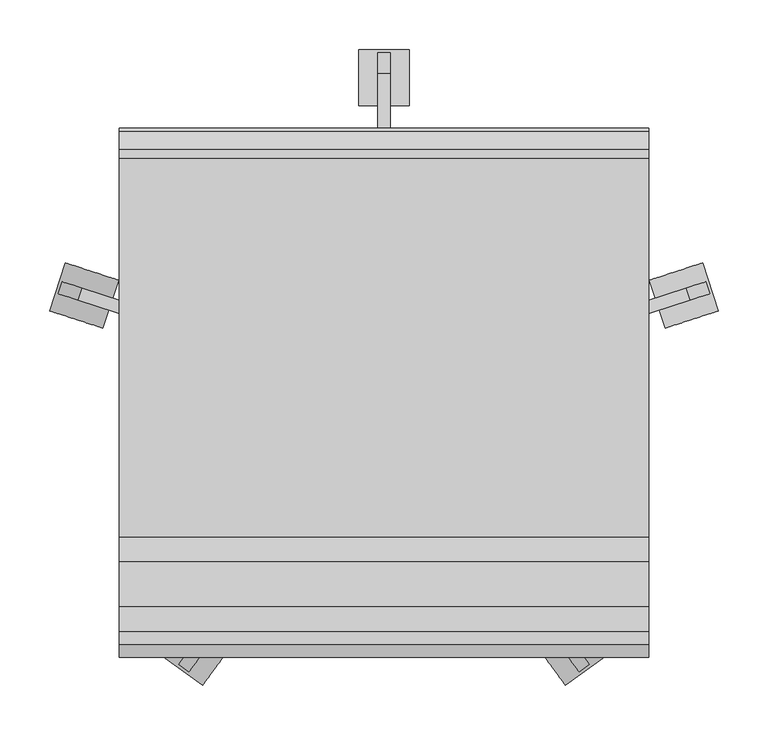
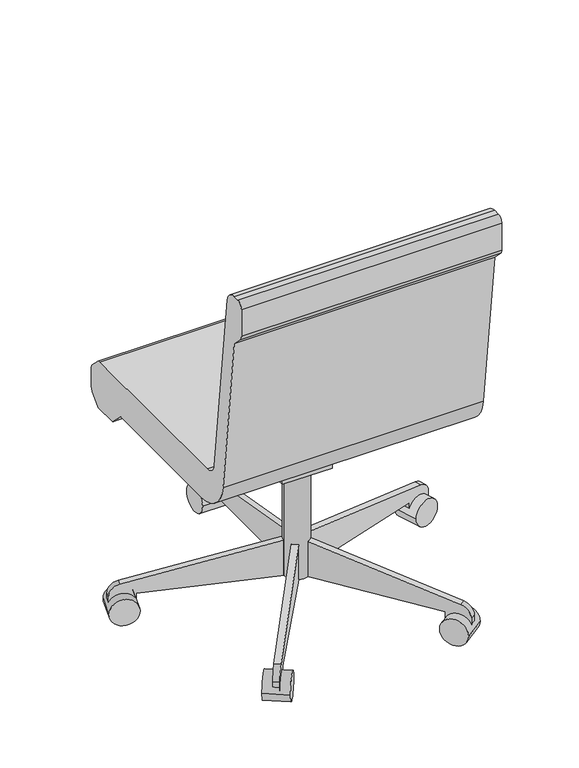
"""IFC4 building model written with IfcOpenShell, lengths in millimetres: furniture geometry."""

from ifc_helpers import new_model, si_unit, point, frame, frame_2d, origin, place, context, project, spatial, polyline, circle_curve, trimmed, segment, composite_curve, outline, extrude, source, transform, mapped, element, save


def furniture_b7f3823b(model_context):
    return source(origin(), model_context, "Body", "SweptSolid", [
        extrude(outline(composite_curve([segment(trimmed(circle_curve(frame_2d((140.9908197, 18.9459016)), 25.4), [point((115.5908197, 18.9459016))], [point((166.3908197, 18.9459016))], False, "CARTESIAN"), True, "CONTINUOUS"), segment(trimmed(circle_curve(frame_2d((140.9908197, 18.9459016)), 25.4), [point((166.3908197, 18.9459016))], [point((115.5908197, 18.9459016))], False, "CARTESIAN"), True, "CONTINUOUS")], self_intersect=False)), frame((0.0, 0.0, 53.5835944), z_axis=(0.0, 0.0, 1.0), x_axis=(1.0, 0.0, 0.0)), (0.0, 0.0, 1.0), 330.5914056),
        extrude(outline(composite_curve([segment(trimmed(circle_curve(frame_2d((0.0, -28.2002727)), 28.2002727), [point((0.0, -56.4005455))], [point((0.0, 0.0))], False, "CARTESIAN"), True, "CONTINUOUS"), segment(trimmed(circle_curve(frame_2d((0.0, -28.2002727)), 28.2002727), [point((0.0, 0.0))], [point((0.0, -56.4005455))], False, "CARTESIAN"), True, "CONTINUOUS")], self_intersect=False)), frame((477.6203484, 101.6163254, 28.1835944), z_axis=(-0.3090169943749423, 0.9510565162951553, 0.0), x_axis=(0.0, 0.0, 1.0)), (0.0, 0.0, 1.0), 50.8),
        extrude(outline(composite_curve([segment(polyline([(-25.4, 0.0), (0.0, 0.0), (0.0, -50.8), (-24.303053, -50.8)]), True, "CONTINUOUS"), segment(trimmed(circle_curve(frame_2d((-24.303053, -25.4)), 25.4), [point((-24.303053, -50.8))], [point((-49.3171699, -29.8106637))], False, "CARTESIAN"), True, "CONTINUOUS"), segment(polyline([(-49.3171699, -29.8106637), (-101.6, 266.7), (-101.6, 292.1), (-25.4, 292.1), (-25.4, 0.0)]), True, "CONTINUOUS")], self_intersect=False)), frame((420.756686, 103.1705568, 28.1835944), z_axis=(-0.3090169943749423, 0.9510565162951553, 0.0), x_axis=(0.0, 0.0, -1.0)), (0.0, 0.0, 1.0), 12.7),
        extrude(outline(composite_curve([segment(trimmed(circle_curve(frame_2d((0.0, -28.2002727)), 28.2002727), [point((0.0, -56.4005455))], [point((0.0, 0.0))], False, "CARTESIAN"), True, "CONTINUOUS"), segment(trimmed(circle_curve(frame_2d((0.0, -28.2002727)), 28.2002727), [point((0.0, 0.0))], [point((0.0, -56.4005455))], False, "CARTESIAN"), True, "CONTINUOUS")], self_intersect=False)), frame((323.63931, -275.6612394, 28.1835944), z_axis=(0.8090169943749499, 0.5877852522924699, 0.0), x_axis=(0.0, 0.0, 1.0)), (0.0, 0.0, 1.0), 50.8),
        extrude(outline(composite_curve([segment(polyline([(-25.4, 0.0), (0.0, 0.0), (0.0, -50.8), (-24.303053, -50.8)]), True, "CONTINUOUS"), segment(trimmed(circle_curve(frame_2d((-24.303053, -25.3999999)), 25.4), [point((-24.303053, -50.8))], [point((-49.3171699, -29.8106636))], False, "CARTESIAN"), True, "CONTINUOUS"), segment(polyline([(-49.3171699, -29.8106636), (-101.6, 266.7), (-101.6, 292.1), (-25.4, 292.1), (-25.4, 0.0)]), True, "CONTINUOUS")], self_intersect=False)), frame((307.545634, -221.1003988, 28.1835944), z_axis=(0.8090169943749499, 0.5877852522924699, 0.0), x_axis=(0.0, 0.0, -1.0)), (0.0, 0.0, 1.0), 12.7),
        extrude(outline(composite_curve([segment(trimmed(circle_curve(frame_2d((0.0, -28.2002727)), 28.2002727), [point((0.0, -56.4005455))], [point((0.0, 0.0))], False, "CARTESIAN"), True, "CONTINUOUS"), segment(trimmed(circle_curve(frame_2d((0.0, -28.2002727)), 28.2002727), [point((0.0, 0.0))], [point((0.0, -56.4005455))], False, "CARTESIAN"), True, "CONTINUOUS")], self_intersect=False)), frame((-41.6576707, -275.6612394, 28.1835944), z_axis=(-0.8090169943749458, 0.5877852522924754, 0.0), x_axis=(0.0, 0.0, -1.0)), (0.0, 0.0, 1.0), 50.8),
        extrude(outline(composite_curve([segment(polyline([(25.4, 0.0), (25.4, 292.1), (101.6, 292.1), (101.6, 266.7), (49.3171699, -29.8106637)]), True, "CONTINUOUS"), segment(trimmed(circle_curve(frame_2d((24.303053, -25.3999999)), 25.4), [point((49.3171699, -29.8106637))], [point((24.303053, -50.8))], False, "CARTESIAN"), True, "CONTINUOUS"), segment(polyline([(24.303053, -50.8), (0.0, -50.8), (0.0, 0.0), (25.4, 0.0)]), True, "CONTINUOUS")], self_intersect=False)), frame((-25.5639946, -221.1003988, 28.1835944), z_axis=(-0.8090169943749459, 0.5877852522924754, 0.0), x_axis=(0.0, 0.0, 1.0)), (0.0, 0.0, 1.0), 12.7),
        extrude(outline(composite_curve([segment(trimmed(circle_curve(frame_2d((0.0, -28.2002727)), 28.2002727), [point((0.0, -56.4005454))], [point((0.0, 0.0))], False, "CARTESIAN"), True, "CONTINUOUS"), segment(trimmed(circle_curve(frame_2d((0.0, -28.2002727)), 28.2002727), [point((0.0, 0.0))], [point((0.0, -56.4005454))], False, "CARTESIAN"), True, "CONTINUOUS")], self_intersect=False)), frame((-195.638709, 101.6163254, 28.1835944), z_axis=(0.3090169943749487, 0.9510565162951532, 0.0), x_axis=(0.0, 0.0, -1.0)), (0.0, 0.0, 1.0), 50.8),
        extrude(outline(composite_curve([segment(polyline([(25.4, 0.0), (25.4, 292.1000001), (101.6, 292.1000001), (101.6, 266.7), (49.3171699, -29.8106636)]), True, "CONTINUOUS"), segment(trimmed(circle_curve(frame_2d((24.303053, -25.4)), 25.4), [point((49.3171699, -29.8106636))], [point((24.303053, -50.8))], False, "CARTESIAN"), True, "CONTINUOUS"), segment(polyline([(24.303053, -50.8), (0.0, -50.8), (0.0, 0.0), (25.4, 0.0)]), True, "CONTINUOUS")], self_intersect=False)), frame((-138.7750467, 103.1705568, 28.1835944), z_axis=(0.3090169943749487, 0.9510565162951532, 0.0), x_axis=(0.0, 0.0, 1.0)), (0.0, 0.0, 1.0), 12.7),
        extrude(outline(composite_curve([segment(trimmed(circle_curve(frame_2d((336.4459016, 28.1835944)), 28.2002727), [point((308.2456289, 28.1835944))], [point((364.6461744, 28.1835944))], False, "CARTESIAN"), True, "CONTINUOUS"), segment(trimmed(circle_curve(frame_2d((336.4459016, 28.1835944)), 28.2002727), [point((364.6461744, 28.1835944))], [point((308.2456289, 28.1835944))], False, "CARTESIAN"), True, "CONTINUOUS")], self_intersect=False)), frame((115.5908197, 0.0, 0.0), z_axis=(1.0, 0.0, 0.0), x_axis=(0.0, 1.0, 0.0)), (0.0, 0.0, 1.0), 50.8),
        extrude(outline(composite_curve([segment(polyline([(311.0459016, 53.5835944), (18.9459016, 53.5835944), (18.9459016, 129.7835944), (44.3459016, 129.7835944), (340.8565654, 77.5007643)]), True, "CONTINUOUS"), segment(trimmed(circle_curve(frame_2d((336.4459016, 52.4866474)), 25.4), [point((340.8565654, 77.5007643))], [point((361.8459016, 52.4866474))], False, "CARTESIAN"), True, "CONTINUOUS"), segment(polyline([(361.8459016, 52.4866474), (361.8459016, 28.1835944), (311.0459016, 28.1835944), (311.0459016, 53.5835944)]), True, "CONTINUOUS")], self_intersect=False)), frame((134.6408197, 0.0, 0.0), z_axis=(1.0, 0.0, 0.0), x_axis=(0.0, 1.0, 0.0)), (0.0, 0.0, 1.0), 12.7),
        extrude(outline(polyline([(69.7459016, 383.7835944), (69.7459016, 371.0835944), (18.9459016, 283.0954134), (-19.1540984, 283.0954134), (-19.1540984, 383.7835944), (69.7459016, 383.7835944)])), frame((90.1908197, 0.0, 0.0), z_axis=(1.0, 0.0, 0.0), x_axis=(0.0, 1.0, 0.0)), (0.0, 0.0, 1.0), 101.6),
        extrude(outline(composite_curve([segment(polyline([(-126.2050455, 457.2), (255.0102301, 457.2)]), True, "CONTINUOUS"), segment(trimmed(circle_curve(frame_2d((255.0102301, 444.5)), 12.7), [point((255.0102301, 457.2))], [point((263.9604301, 453.510212))], False, "CARTESIAN"), True, "CONTINUOUS"), segment(polyline([(263.9604301, 453.510212), (281.8961016, 435.6939999)]), True, "CONTINUOUS"), segment(trimmed(circle_curve(frame_2d((272.9459016, 426.6837879)), 12.7), [point((281.8961016, 435.6939999))], [point((285.6459016, 426.6837879))], False, "CARTESIAN"), True, "CONTINUOUS"), segment(polyline([(285.6459016, 426.6837879), (285.6459016, 391.6405184)]), True, "CONTINUOUS"), segment(trimmed(circle_curve(frame_2d((260.2459016, 391.6405184)), 25.4), [point((285.6459016, 391.6405184))], [point((278.2663256, 373.7401184))], False, "CARTESIAN"), True, "CONTINUOUS"), segment(polyline([(278.2663256, 373.7401184), (260.2470284, 355.6), (209.4470284, 355.6), (181.0744602, 383.7835944), (-107.1089978, 383.7835944)]), True, "CONTINUOUS"), segment(trimmed(circle_curve(frame_2d((-107.1089978, 459.9835944)), 76.2), [point((-107.1089978, 383.7835944))], [point((-182.7870738, 451.0802913))], False, "CARTESIAN"), True, "CONTINUOUS"), segment(polyline([(-182.7870738, 451.0802913), (-222.3540984, 787.4), (-244.0343545, 809.0802561)]), True, "CONTINUOUS"), segment(trimmed(circle_curve(frame_2d((-235.0540984, 818.0605122)), 12.7), [point((-244.0343545, 809.0802561))], [point((-247.7540984, 818.0605122))], False, "CARTESIAN"), True, "CONTINUOUS"), segment(polyline([(-247.7540984, 818.0605122), (-247.7540984, 876.3)]), True, "CONTINUOUS"), segment(trimmed(circle_curve(frame_2d((-235.0540984, 876.3)), 12.7), [point((-247.7540984, 876.3))], [point((-235.0540984, 889.0))], False, "CARTESIAN"), True, "CONTINUOUS"), segment(polyline([(-235.0540984, 889.0), (-222.1789239, 889.0)]), True, "CONTINUOUS"), segment(trimmed(circle_curve(frame_2d((-222.1789239, 863.6)), 25.4), [point((-222.1789239, 889.0))], [point((-196.9528985, 866.5677677))], False, "CARTESIAN"), True, "CONTINUOUS"), segment(polyline([(-196.9528985, 866.5677677), (-151.4310708, 479.6322323)]), True, "CONTINUOUS"), segment(trimmed(circle_curve(frame_2d((-126.2050455, 482.6)), 25.4), [point((-151.4310708, 479.6322323))], [point((-126.2050455, 457.2))], True, "CARTESIAN"), True, "CONTINUOUS")], self_intersect=False)), frame((-125.7091803, 0.0, 0.0), z_axis=(1.0, 0.0, 0.0), x_axis=(0.0, 1.0, 0.0)), (0.0, 0.0, 1.0), 533.4),
    ])


if __name__ == "__main__":
    model = new_model("IFC4")
    model_context = context("Model", 3, world=origin())
    ifc_project = project(units=[si_unit("LENGTHUNIT", "METRE", prefix="MILLI")], contexts=[model_context])
    site = spatial("IfcSite", under=ifc_project)
    building = spatial("IfcBuilding", under=site)
    placement = place(None, origin())
    furniture_shape = furniture_b7f3823b(model_context)
    element("IfcFurniture", 1, at=placement, inside=building, context=model_context, shape_type="MappedRepresentation", body=[
        mapped(furniture_shape, transform((0.0, 0.0, 0.0), x_axis=(1.0, 0.0, 0.0), y_axis=(0.0, 1.0, 0.0), z_axis=(0.0, 0.0, 1.0))),
    ])
    save(model, "model.ifc")
